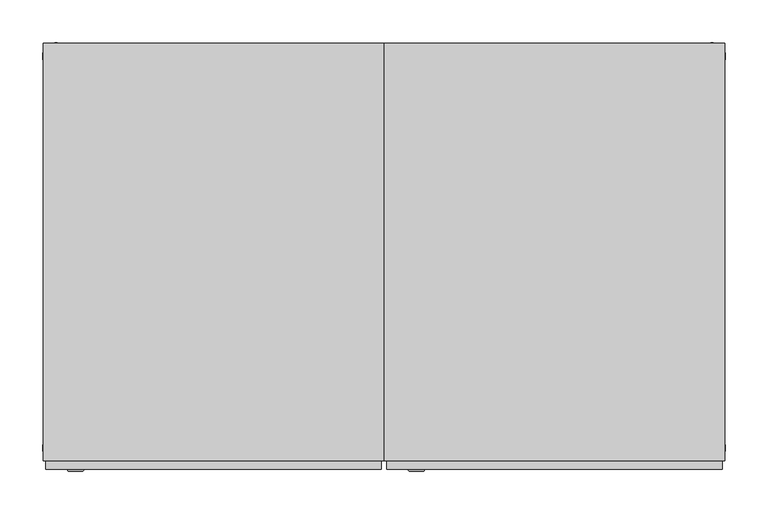
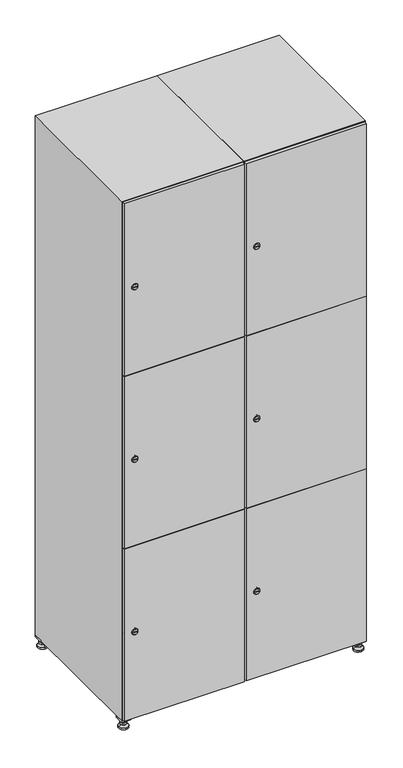
"""IFC4 building model written with IfcOpenShell, lengths in millimetres: furniture geometry."""

from ifc_helpers import new_model, si_unit, point, frame, frame_2d, origin, origin_with_axes, place, context, project, spatial, polyline, circle_curve, trimmed, segment, composite_curve, outline, extrude, faceted_brep, source, transform, mapped, element, save
from ifc_brep_helpers import plane_surface, revolved_surface, advanced_brep


def furniture_7720cfd1(model_context):
    return source(origin(), model_context, "Body", "SolidModel", [
        extrude(outline(polyline([(600.0, 245.0), (600.0, 215.0), (570.0, 215.0), (570.0, 245.0), (600.0, 245.0)]), holes=[polyline([(598.0, 243.0), (572.0, 243.0), (572.0, 217.0), (598.0, 217.0), (598.0, 243.0)])]), frame((0.0, 0.0, 28.5), z_axis=(0.0, 0.0, 1.0), x_axis=(1.0, 0.0, 0.0)), (0.0, 0.0, 1.0), 6.5),
        extrude(outline(polyline([(570.0, -245.0), (570.0, -215.0), (600.0, -215.0), (600.0, -245.0), (570.0, -245.0)]), holes=[polyline([(572.0, -243.0), (598.0, -243.0), (598.0, -217.0), (572.0, -217.0), (572.0, -243.0)])]), frame((0.0, 0.0, 28.5), z_axis=(0.0, 0.0, 1.0), x_axis=(1.0, 0.0, 0.0)), (0.0, 0.0, 1.0), 6.5),
        extrude(outline(polyline([(-170.0, 245.0), (-170.0, 215.0), (-200.0, 215.0), (-200.0, 245.0), (-170.0, 245.0)]), holes=[polyline([(-172.0, 243.0), (-198.0, 243.0), (-198.0, 217.0), (-172.0, 217.0), (-172.0, 243.0)])]), frame((0.0, 0.0, 28.5), z_axis=(0.0, 0.0, 1.0), x_axis=(1.0, 0.0, 0.0)), (0.0, 0.0, 1.0), 6.5),
        extrude(outline(polyline([(-170.0, -215.0), (-170.0, -245.0), (-200.0, -245.0), (-200.0, -215.0), (-170.0, -215.0)]), holes=[polyline([(-198.0, -243.0), (-172.0, -243.0), (-172.0, -217.0), (-198.0, -217.0), (-198.0, -243.0)])]), frame((0.0, 0.0, 28.5), z_axis=(0.0, 0.0, 1.0), x_axis=(1.0, 0.0, 0.0)), (0.0, 0.0, 1.0), 6.5),
        extrude(outline(composite_curve([segment(trimmed(circle_curve(frame_2d((-185.0, 230.0)), 5.0), [point((-180.0, 230.0))], [point((-190.0, 230.0))], False, "CARTESIAN"), True, "CONTINUOUS"), segment(trimmed(circle_curve(frame_2d((-185.0, 230.0)), 5.0), [point((-190.0, 230.0))], [point((-180.0, 230.0))], False, "CARTESIAN"), True, "CONTINUOUS")], self_intersect=False)), frame((0.0, 0.0, 19.6), z_axis=(0.0, 0.0, 1.0), x_axis=(1.0, 0.0, 0.0)), (0.0, 0.0, 1.0), 15.4),
        extrude(outline(composite_curve([segment(trimmed(circle_curve(frame_2d((-185.0, -230.0)), 5.0), [point((-180.0, -230.0))], [point((-190.0, -230.0))], False, "CARTESIAN"), True, "CONTINUOUS"), segment(trimmed(circle_curve(frame_2d((-185.0, -230.0)), 5.0), [point((-190.0, -230.0))], [point((-180.0, -230.0))], False, "CARTESIAN"), True, "CONTINUOUS")], self_intersect=False)), frame((0.0, 0.0, 19.6), z_axis=(0.0, 0.0, 1.0), x_axis=(1.0, 0.0, 0.0)), (0.0, 0.0, 1.0), 15.4),
        extrude(outline(composite_curve([segment(trimmed(circle_curve(frame_2d((585.0, 230.0)), 5.0), [point((590.0, 230.0))], [point((580.0, 230.0))], False, "CARTESIAN"), True, "CONTINUOUS"), segment(trimmed(circle_curve(frame_2d((585.0, 230.0)), 5.0), [point((580.0, 230.0))], [point((590.0, 230.0))], False, "CARTESIAN"), True, "CONTINUOUS")], self_intersect=False)), frame((0.0, 0.0, 19.6), z_axis=(0.0, 0.0, 1.0), x_axis=(1.0, 0.0, 0.0)), (0.0, 0.0, 1.0), 15.4),
        extrude(outline(polyline([(573.4529946, 230.0), (579.2264973, 240.0), (590.7735027, 240.0), (596.5470054, 230.0), (590.7735027, 220.0), (579.2264973, 220.0), (573.4529946, 230.0)])), frame((0.0, 0.0, 13.6), z_axis=(0.0, 0.0, 1.0), x_axis=(1.0, 0.0, 0.0)), (0.0, 0.0, 1.0), 6.0),
        extrude(outline(composite_curve([segment(trimmed(circle_curve(frame_2d((585.0, -230.0)), 5.0), [point((590.0, -230.0))], [point((580.0, -230.0))], False, "CARTESIAN"), True, "CONTINUOUS"), segment(trimmed(circle_curve(frame_2d((585.0, -230.0)), 5.0), [point((580.0, -230.0))], [point((590.0, -230.0))], False, "CARTESIAN"), True, "CONTINUOUS")], self_intersect=False)), frame((0.0, 0.0, 19.6), z_axis=(0.0, 0.0, 1.0), x_axis=(1.0, 0.0, 0.0)), (0.0, 0.0, 1.0), 15.4),
        extrude(outline(polyline([(573.4529946, -230.0), (579.2264973, -220.0), (590.7735027, -220.0), (596.5470054, -230.0), (590.7735027, -240.0), (579.2264973, -240.0), (573.4529946, -230.0)])), frame((0.0, 0.0, 13.6), z_axis=(0.0, 0.0, 1.0), x_axis=(1.0, 0.0, 0.0)), (0.0, 0.0, 1.0), 6.0),
        extrude(outline(composite_curve([segment(trimmed(circle_curve(frame_2d((585.0, 230.0)), 5.0), [point((590.0, 230.0))], [point((580.0, 230.0))], False, "CARTESIAN"), True, "CONTINUOUS"), segment(trimmed(circle_curve(frame_2d((585.0, 230.0)), 5.0), [point((580.0, 230.0))], [point((590.0, 230.0))], False, "CARTESIAN"), True, "CONTINUOUS")], self_intersect=False)), frame((0.0, 0.0, 12.1), z_axis=(0.0, 0.0, 1.0), x_axis=(1.0, 0.0, 0.0)), (0.0, 0.0, 1.0), 1.5),
        extrude(outline(composite_curve([segment(trimmed(circle_curve(frame_2d((585.0, -230.0)), 5.0), [point((590.0, -230.0))], [point((580.0, -230.0))], False, "CARTESIAN"), True, "CONTINUOUS"), segment(trimmed(circle_curve(frame_2d((585.0, -230.0)), 5.0), [point((580.0, -230.0))], [point((590.0, -230.0))], False, "CARTESIAN"), True, "CONTINUOUS")], self_intersect=False)), frame((0.0, 0.0, 12.1), z_axis=(0.0, 0.0, 1.0), x_axis=(1.0, 0.0, 0.0)), (0.0, 0.0, 1.0), 1.5),
        extrude(outline(polyline([(-196.5470054, 230.0), (-190.7735027, 240.0), (-179.2264973, 240.0), (-173.4529946, 230.0), (-179.2264973, 220.0), (-190.7735027, 220.0), (-196.5470054, 230.0)])), frame((0.0, 0.0, 13.6), z_axis=(0.0, 0.0, 1.0), x_axis=(1.0, 0.0, 0.0)), (0.0, 0.0, 1.0), 6.0),
        extrude(outline(polyline([(-196.5470054, -230.0), (-190.7735027, -220.0), (-179.2264973, -220.0), (-173.4529946, -230.0), (-179.2264973, -240.0), (-190.7735027, -240.0), (-196.5470054, -230.0)])), frame((0.0, 0.0, 13.6), z_axis=(0.0, 0.0, 1.0), x_axis=(1.0, 0.0, 0.0)), (0.0, 0.0, 1.0), 6.0),
        extrude(outline(composite_curve([segment(trimmed(circle_curve(frame_2d((-185.0, 230.0)), 5.0), [point((-185.0, 235.0))], [point((-185.0, 225.0))], False, "CARTESIAN"), True, "CONTINUOUS"), segment(trimmed(circle_curve(frame_2d((-185.0, 230.0)), 5.0), [point((-185.0, 225.0))], [point((-185.0, 235.0))], False, "CARTESIAN"), True, "CONTINUOUS")], self_intersect=False)), frame((0.0, 0.0, 12.1), z_axis=(0.0, 0.0, 1.0), x_axis=(1.0, 0.0, 0.0)), (0.0, 0.0, 1.0), 1.5),
        extrude(outline(composite_curve([segment(trimmed(circle_curve(frame_2d((-185.0, -230.0)), 5.0), [point((-180.0, -230.0))], [point((-190.0, -230.0))], False, "CARTESIAN"), True, "CONTINUOUS"), segment(trimmed(circle_curve(frame_2d((-185.0, -230.0)), 5.0), [point((-190.0, -230.0))], [point((-180.0, -230.0))], False, "CARTESIAN"), True, "CONTINUOUS")], self_intersect=False)), frame((0.0, 0.0, 12.1), z_axis=(0.0, 0.0, 1.0), x_axis=(1.0, 0.0, 0.0)), (0.0, 0.0, 1.0), 1.5),
        extrude(outline(composite_curve([segment(trimmed(circle_curve(frame_2d((585.0, 230.0)), 15.75), [point((600.75, 230.0))], [point((569.25, 230.0))], False, "CARTESIAN"), True, "CONTINUOUS"), segment(trimmed(circle_curve(frame_2d((585.0, 230.0)), 15.75), [point((569.25, 230.0))], [point((600.75, 230.0))], False, "CARTESIAN"), True, "CONTINUOUS")], self_intersect=False)), origin_with_axes(), (0.0, 0.0, 1.0), 5.1),
        extrude(outline(composite_curve([segment(trimmed(circle_curve(frame_2d((585.0, -230.0)), 15.75), [point((585.0, -214.25))], [point((585.0, -245.75))], False, "CARTESIAN"), True, "CONTINUOUS"), segment(trimmed(circle_curve(frame_2d((585.0, -230.0)), 15.75), [point((585.0, -245.75))], [point((585.0, -214.25))], False, "CARTESIAN"), True, "CONTINUOUS")], self_intersect=False)), origin_with_axes(), (0.0, 0.0, 1.0), 5.1),
        extrude(outline(composite_curve([segment(trimmed(circle_curve(frame_2d((-185.0, -230.0)), 15.75), [point((-169.25, -230.0))], [point((-200.75, -230.0))], False, "CARTESIAN"), True, "CONTINUOUS"), segment(trimmed(circle_curve(frame_2d((-185.0, -230.0)), 15.75), [point((-200.75, -230.0))], [point((-169.25, -230.0))], False, "CARTESIAN"), True, "CONTINUOUS")], self_intersect=False)), origin_with_axes(), (0.0, 0.0, 1.0), 5.1),
        extrude(outline(composite_curve([segment(trimmed(circle_curve(frame_2d((-185.0, 230.0)), 15.75), [point((-169.25, 230.0))], [point((-200.75, 230.0))], False, "CARTESIAN"), True, "CONTINUOUS"), segment(trimmed(circle_curve(frame_2d((-185.0, 230.0)), 15.75), [point((-200.75, 230.0))], [point((-169.25, 230.0))], False, "CARTESIAN"), True, "CONTINUOUS")], self_intersect=False)), origin_with_axes(), (0.0, 0.0, 1.0), 5.1),
        advanced_brep(
        [(-185.0, 239.5, 12.1), (-185.0, 220.5, 12.1), (-185.0, 214.25, 5.1), (-185.0, 245.75, 5.1)],
        [
            (0, 1, circle_curve(frame((-185.0, 230.0, 12.1), z_axis=(0.0, 0.0, -1.0), x_axis=(0.0, 1.0, 0.0)), 9.5)),
            (1, 2),
            (2, 3, circle_curve(frame((-185.0, 230.0, 5.1), z_axis=(0.0, 0.0, 1.0), x_axis=(0.0, 1.0, 0.0)), 15.75)),
            (3, 0),
            (1, 0, circle_curve(frame((-185.0, 230.0, 12.1), z_axis=(0.0, 0.0, -1.0), x_axis=(0.0, -1.0, 0.0)), 9.5)),
            (3, 2, circle_curve(frame((-185.0, 230.0, 5.1), z_axis=(0.0, 0.0, 1.0), x_axis=(0.0, -1.0, 0.0)), 15.75)),
        ],
        [
            revolved_surface(polyline([(-185.0, 220.5, 12.099999999999998), (-185.0, 214.25, 5.099999999999998)]), (-185.0, 230.0, 22.74), (0.0, 0.0, -1.0)),
            revolved_surface(polyline([(-185.0, 239.5, 12.099999999999998), (-185.0, 245.75, 5.099999999999998)]), (-185.0, 230.0, 22.74), (0.0, 0.0, -1.0)),
            plane_surface(frame((-185.0, 230.0, 5.1), z_axis=(0.0, 0.0, -1.0), x_axis=(1.0, 0.0, 0.0))),
            plane_surface(frame((-185.0, 230.0, 12.1), z_axis=(0.0, 0.0, 1.0), x_axis=(1.0, 0.0, 0.0))),
        ],
        [
            (0, [[1, 2, 3, 4]]),
            (1, [[5, -4, 6, -2]]),
            (2, [[-3, -6]]),
            (3, [[-5, -1]]),
        ],
    ),
        advanced_brep(
        [(585.0, 239.5, 12.1), (585.0, 220.5, 12.1), (585.0, 214.25, 5.1), (585.0, 245.75, 5.1)],
        [
            (0, 1, circle_curve(frame((585.0, 230.0, 12.1), z_axis=(0.0, 0.0, -1.0), x_axis=(0.0, 1.0, 0.0)), 9.5)),
            (1, 2),
            (2, 3, circle_curve(frame((585.0, 230.0, 5.1), z_axis=(0.0, 0.0, 1.0), x_axis=(0.0, 1.0, 0.0)), 15.75)),
            (3, 0),
            (1, 0, circle_curve(frame((585.0, 230.0, 12.1), z_axis=(0.0, 0.0, -1.0), x_axis=(0.0, -1.0, 0.0)), 9.5)),
            (3, 2, circle_curve(frame((585.0, 230.0, 5.1), z_axis=(0.0, 0.0, 1.0), x_axis=(0.0, -1.0, 0.0)), 15.75)),
        ],
        [
            revolved_surface(polyline([(585.0, 220.5, 12.099999999999998), (585.0, 214.25, 5.099999999999998)]), (585.0, 230.0, 22.74), (0.0, 0.0, -1.0)),
            revolved_surface(polyline([(585.0, 239.5, 12.099999999999998), (585.0, 245.75, 5.099999999999998)]), (585.0, 230.0, 22.74), (0.0, 0.0, -1.0)),
            plane_surface(frame((585.0, 230.0, 5.1), z_axis=(0.0, 0.0, -1.0), x_axis=(1.0, 0.0, 0.0))),
            plane_surface(frame((585.0, 230.0, 12.1), z_axis=(0.0, 0.0, 1.0), x_axis=(1.0, 0.0, 0.0))),
        ],
        [
            (0, [[1, 2, 3, 4]]),
            (1, [[5, -4, 6, -2]]),
            (2, [[-3, -6]]),
            (3, [[-5, -1]]),
        ],
    ),
        advanced_brep(
        [(600.75, -230.0, 5.1), (569.25, -230.0, 5.1), (575.5, -230.0, 12.1), (594.5, -230.0, 12.1)],
        [
            (0, 1, circle_curve(frame((585.0, -230.0, 5.1), z_axis=(0.0, 0.0, 1.0), x_axis=(1.0, 0.0, 0.0)), 15.75)),
            (1, 2),
            (2, 3, circle_curve(frame((585.0, -230.0, 12.1), z_axis=(0.0, 0.0, -1.0), x_axis=(1.0, 0.0, 0.0)), 9.5)),
            (3, 0),
            (1, 0, circle_curve(frame((585.0, -230.0, 5.1), z_axis=(0.0, 0.0, 1.0), x_axis=(-1.0, 0.0, 0.0)), 15.75)),
            (3, 2, circle_curve(frame((585.0, -230.0, 12.1), z_axis=(0.0, 0.0, -1.0), x_axis=(-1.0, 0.0, 0.0)), 9.5)),
        ],
        [
            revolved_surface(polyline([(594.5, -230.0, 12.099999999999998), (600.75, -230.0, 5.099999999999998)]), (585.0, -230.0, 22.74), (0.0, 0.0, -1.0)),
            revolved_surface(polyline([(575.5, -230.0, 12.099999999999998), (569.25, -230.0, 5.099999999999998)]), (585.0, -230.0, 22.74), (0.0, 0.0, -1.0)),
            plane_surface(frame((585.0, -230.0, 12.1), z_axis=(0.0, 0.0, 1.0), x_axis=(0.0, 1.0, 0.0))),
            plane_surface(frame((585.0, -230.0, 5.1), z_axis=(0.0, 0.0, -1.0), x_axis=(0.0, 1.0, 0.0))),
        ],
        [
            (0, [[1, 2, 3, 4]]),
            (1, [[5, -4, 6, -2]]),
            (2, [[-3, -6]]),
            (3, [[-5, -1]]),
        ],
    ),
        advanced_brep(
        [(-169.25, -230.0, 5.1), (-200.75, -230.0, 5.1), (-194.5, -230.0, 12.1), (-175.5, -230.0, 12.1)],
        [
            (0, 1, circle_curve(frame((-185.0, -230.0, 5.1), z_axis=(0.0, 0.0, 1.0), x_axis=(1.0, 0.0, 0.0)), 15.75)),
            (1, 2),
            (2, 3, circle_curve(frame((-185.0, -230.0, 12.1), z_axis=(0.0, 0.0, -1.0), x_axis=(1.0, 0.0, 0.0)), 9.5)),
            (3, 0),
            (1, 0, circle_curve(frame((-185.0, -230.0, 5.1), z_axis=(0.0, 0.0, 1.0), x_axis=(-1.0, 0.0, 0.0)), 15.75)),
            (3, 2, circle_curve(frame((-185.0, -230.0, 12.1), z_axis=(0.0, 0.0, -1.0), x_axis=(-1.0, 0.0, 0.0)), 9.5)),
        ],
        [
            revolved_surface(polyline([(-175.5, -230.0, 12.099999999999998), (-169.25, -230.0, 5.099999999999998)]), (-185.0, -230.0, 22.74), (0.0, 0.0, -1.0)),
            revolved_surface(polyline([(-194.5, -230.0, 12.099999999999998), (-200.75, -230.0, 5.099999999999998)]), (-185.0, -230.0, 22.74), (0.0, 0.0, -1.0)),
            plane_surface(frame((-185.0, -230.0, 12.1), z_axis=(0.0, 0.0, 1.0), x_axis=(0.0, 1.0, 0.0))),
            plane_surface(frame((-185.0, -230.0, 5.1), z_axis=(0.0, 0.0, -1.0), x_axis=(0.0, 1.0, 0.0))),
        ],
        [
            (0, [[1, 2, 3, 4]]),
            (1, [[5, -4, 6, -2]]),
            (2, [[-3, -6]]),
            (3, [[-5, -1]]),
        ],
    ),
        extrude(outline(composite_curve([segment(trimmed(circle_curve(frame_2d((337.0, 211.2010534)), 7.0), [point((344.0, 211.2010534))], [point((330.0, 211.2010534))], False, "CARTESIAN"), True, "CONTINUOUS"), segment(polyline([(330.0, 211.2010534), (330.0, 239.2010534)]), True, "CONTINUOUS"), segment(trimmed(circle_curve(frame_2d((337.0, 239.2010534)), 7.0), [point((330.0, 239.2010534))], [point((344.0, 239.2010534))], False, "CARTESIAN"), True, "CONTINUOUS"), segment(polyline([(344.0, 239.2010534), (344.0, 211.2010534)]), True, "CONTINUOUS")], self_intersect=False)), frame((0.0, -245.0, 0.0), z_axis=(0.0, 1.0, 0.0), x_axis=(0.0, 0.0, 1.0)), (0.0, 0.0, 1.0), 2.0),
        advanced_brep(
        [(246.5, -257.2, 337.0), (229.5, -257.2, 337.0), (233.0, -257.2, 335.75), (233.0, -257.2, 338.25), (243.0, -257.2, 338.25), (243.0, -257.2, 335.75), (248.5, -255.0, 337.0), (227.5, -255.0, 337.0), (233.0, -255.0, 338.25), (233.0, -255.0, 335.75), (243.0, -255.0, 335.75), (243.0, -255.0, 338.25)],
        [
            (0, 1, circle_curve(frame((238.0, -257.2, 337.0), z_axis=(0.0, -1.0, 0.0), x_axis=(1.0, 0.0, 0.0)), 8.5)),
            (1, 0, circle_curve(frame((238.0, -257.2, 337.0), z_axis=(0.0, -1.0, 0.0), x_axis=(-1.0, 0.0, 0.0)), 8.5)),
            (2, 3),
            (3, 4),
            (4, 5),
            (5, 2),
            (6, 7, circle_curve(frame((238.0, -255.0, 337.0), z_axis=(0.0, 1.0, 0.0), x_axis=(-1.0, 0.0, 0.0)), 10.5)),
            (7, 6, circle_curve(frame((238.0, -255.0, 337.0), z_axis=(0.0, 1.0, 0.0), x_axis=(1.0, 0.0, 0.0)), 10.5)),
            (8, 9),
            (9, 10),
            (10, 11),
            (11, 8),
            (0, 6),
            (7, 1),
            (8, 3),
            (2, 9),
            (11, 4),
            (10, 5),
        ],
        [
            plane_surface(frame((238.0, -257.2, 337.0), z_axis=(0.0, -1.0, 0.0), x_axis=(0.0, 0.0, 1.0))),
            plane_surface(frame((238.0, -255.0, 337.0), z_axis=(0.0, 1.0, 0.0), x_axis=(0.0, 0.0, 1.0))),
            revolved_surface(polyline([(246.5, -257.2, 337.0), (248.5, -255.0, 337.0)]), (238.0, -266.55, 337.0), (0.0, 1.0, 0.0)),
            revolved_surface(polyline([(229.5, -257.2, 337.0), (227.5, -255.0, 337.0)]), (238.0, -266.55, 337.0), (0.0, 1.0, 0.0)),
            plane_surface(frame((233.0, -255.0, 335.75), z_axis=(1.0, 0.0, 0.0), x_axis=(0.0, -1.0, 0.0))),
            plane_surface(frame((233.0, -255.0, 338.25), z_axis=(0.0, 0.0, -1.0), x_axis=(0.0, -1.0, 0.0))),
            plane_surface(frame((243.0, -255.0, 338.25), z_axis=(-1.0, 0.0, 0.0), x_axis=(0.0, -1.0, 0.0))),
            plane_surface(frame((243.0, -255.0, 335.75), z_axis=(0.0, 0.0, 1.0), x_axis=(0.0, -1.0, 0.0))),
        ],
        [
            (0, [[1, 2], [3, 4, 5, 6]]),
            (1, [[7, 8], [9, 10, 11, 12]]),
            (2, [[-1, 13, -8, 14]]),
            (3, [[-2, -14, -7, -13]]),
            (4, [[15, -3, 16, -9]]),
            (5, [[-15, -12, 17, -4]]),
            (6, [[-17, -11, 18, -5]]),
            (7, [[-16, -6, -18, -10]]),
        ],
    ),
        extrude(outline(composite_curve([segment(trimmed(circle_curve(frame_2d((935.0, 211.2010534)), 7.0), [point((942.0, 211.2010534))], [point((928.0, 211.2010534))], False, "CARTESIAN"), True, "CONTINUOUS"), segment(polyline([(928.0, 211.2010534), (928.0, 239.2010534)]), True, "CONTINUOUS"), segment(trimmed(circle_curve(frame_2d((935.0, 239.2010534)), 7.0), [point((928.0, 239.2010534))], [point((942.0, 239.2010534))], False, "CARTESIAN"), True, "CONTINUOUS"), segment(polyline([(942.0, 239.2010534), (942.0, 211.2010534)]), True, "CONTINUOUS")], self_intersect=False)), frame((0.0, -245.0, 0.0), z_axis=(0.0, 1.0, 0.0), x_axis=(0.0, 0.0, 1.0)), (0.0, 0.0, 1.0), 2.0),
        advanced_brep(
        [(246.5, -257.2, 935.0), (229.5, -257.2, 935.0), (233.0, -257.2, 933.75), (233.0, -257.2, 936.25), (243.0, -257.2, 936.25), (243.0, -257.2, 933.75), (248.5, -255.0, 935.0), (227.5, -255.0, 935.0), (233.0, -255.0, 936.25), (233.0, -255.0, 933.75), (243.0, -255.0, 933.75), (243.0, -255.0, 936.25)],
        [
            (0, 1, circle_curve(frame((238.0, -257.2, 935.0), z_axis=(0.0, -1.0, 0.0), x_axis=(1.0, 0.0, 0.0)), 8.5)),
            (1, 0, circle_curve(frame((238.0, -257.2, 935.0), z_axis=(0.0, -1.0, 0.0), x_axis=(-1.0, 0.0, 0.0)), 8.5)),
            (2, 3),
            (3, 4),
            (4, 5),
            (5, 2),
            (6, 7, circle_curve(frame((238.0, -255.0, 935.0), z_axis=(0.0, 1.0, 0.0), x_axis=(-1.0, 0.0, 0.0)), 10.5)),
            (7, 6, circle_curve(frame((238.0, -255.0, 935.0), z_axis=(0.0, 1.0, 0.0), x_axis=(1.0, 0.0, 0.0)), 10.5)),
            (8, 9),
            (9, 10),
            (10, 11),
            (11, 8),
            (0, 6),
            (7, 1),
            (8, 3),
            (2, 9),
            (11, 4),
            (10, 5),
        ],
        [
            plane_surface(frame((238.0, -257.2, 935.0), z_axis=(0.0, -1.0, 0.0), x_axis=(0.0, 0.0, 1.0))),
            plane_surface(frame((238.0, -255.0, 935.0), z_axis=(0.0, 1.0, 0.0), x_axis=(0.0, 0.0, 1.0))),
            revolved_surface(polyline([(246.5, -257.2, 935.0), (248.5, -255.0, 935.0)]), (238.0, -266.55, 935.0), (0.0, 1.0, 0.0)),
            revolved_surface(polyline([(229.5, -257.2, 935.0), (227.5, -255.0, 935.0)]), (238.0, -266.55, 935.0), (0.0, 1.0, 0.0)),
            plane_surface(frame((233.0, -255.0, 933.75), z_axis=(1.0, 0.0, 0.0), x_axis=(0.0, -1.0, 0.0))),
            plane_surface(frame((233.0, -255.0, 936.25), z_axis=(0.0, 0.0, -1.0), x_axis=(0.0, -1.0, 0.0))),
            plane_surface(frame((243.0, -255.0, 936.25), z_axis=(-1.0, 0.0, 0.0), x_axis=(0.0, -1.0, 0.0))),
            plane_surface(frame((243.0, -255.0, 933.75), z_axis=(0.0, 0.0, 1.0), x_axis=(0.0, -1.0, 0.0))),
        ],
        [
            (0, [[1, 2], [3, 4, 5, 6]]),
            (1, [[7, 8], [9, 10, 11, 12]]),
            (2, [[-1, 13, -8, 14]]),
            (3, [[-2, -14, -7, -13]]),
            (4, [[15, -3, 16, -9]]),
            (5, [[-15, -12, 17, -4]]),
            (6, [[-17, -11, 18, -5]]),
            (7, [[-16, -6, -18, -10]]),
        ],
    ),
        extrude(outline(composite_curve([segment(trimmed(circle_curve(frame_2d((1533.0, 211.2010534)), 7.0), [point((1540.0, 211.2010534))], [point((1526.0, 211.2010534))], False, "CARTESIAN"), True, "CONTINUOUS"), segment(polyline([(1526.0, 211.2010534), (1526.0, 239.2010534)]), True, "CONTINUOUS"), segment(trimmed(circle_curve(frame_2d((1533.0, 239.2010534)), 7.0), [point((1526.0, 239.2010534))], [point((1540.0, 239.2010534))], False, "CARTESIAN"), True, "CONTINUOUS"), segment(polyline([(1540.0, 239.2010534), (1540.0, 211.2010534)]), True, "CONTINUOUS")], self_intersect=False)), frame((0.0, -245.0, 0.0), z_axis=(0.0, 1.0, 0.0), x_axis=(0.0, 0.0, 1.0)), (0.0, 0.0, 1.0), 2.0),
        advanced_brep(
        [(246.5, -257.2, 1533.0), (229.5, -257.2, 1533.0), (233.0, -257.2, 1531.75), (233.0, -257.2, 1534.25), (243.0, -257.2, 1534.25), (243.0, -257.2, 1531.75), (248.5, -255.0, 1533.0), (227.5, -255.0, 1533.0), (233.0, -255.0, 1534.25), (233.0, -255.0, 1531.75), (243.0, -255.0, 1531.75), (243.0, -255.0, 1534.25)],
        [
            (0, 1, circle_curve(frame((238.0, -257.2, 1533.0), z_axis=(0.0, -1.0, 0.0), x_axis=(1.0, 0.0, 0.0)), 8.5)),
            (1, 0, circle_curve(frame((238.0, -257.2, 1533.0), z_axis=(0.0, -1.0, 0.0), x_axis=(-1.0, 0.0, 0.0)), 8.5)),
            (2, 3),
            (3, 4),
            (4, 5),
            (5, 2),
            (6, 7, circle_curve(frame((238.0, -255.0, 1533.0), z_axis=(0.0, 1.0, 0.0), x_axis=(-1.0, 0.0, 0.0)), 10.5)),
            (7, 6, circle_curve(frame((238.0, -255.0, 1533.0), z_axis=(0.0, 1.0, 0.0), x_axis=(1.0, 0.0, 0.0)), 10.5)),
            (8, 9),
            (9, 10),
            (10, 11),
            (11, 8),
            (0, 6),
            (7, 1),
            (8, 3),
            (2, 9),
            (11, 4),
            (10, 5),
        ],
        [
            plane_surface(frame((238.0, -257.2, 1533.0), z_axis=(0.0, -1.0, 0.0), x_axis=(0.0, 0.0, 1.0))),
            plane_surface(frame((238.0, -255.0, 1533.0), z_axis=(0.0, 1.0, 0.0), x_axis=(0.0, 0.0, 1.0))),
            revolved_surface(polyline([(246.5, -257.2, 1533.0), (248.5, -255.0, 1533.0)]), (238.0, -266.55, 1533.0), (0.0, 1.0, 0.0)),
            revolved_surface(polyline([(229.5, -257.2, 1533.0), (227.5, -255.0, 1533.0)]), (238.0, -266.55, 1533.0), (0.0, 1.0, 0.0)),
            plane_surface(frame((233.0, -255.0, 1531.75), z_axis=(1.0, 0.0, 0.0), x_axis=(0.0, -1.0, 0.0))),
            plane_surface(frame((233.0, -255.0, 1534.25), z_axis=(0.0, 0.0, -1.0), x_axis=(0.0, -1.0, 0.0))),
            plane_surface(frame((243.0, -255.0, 1534.25), z_axis=(-1.0, 0.0, 0.0), x_axis=(0.0, -1.0, 0.0))),
            plane_surface(frame((243.0, -255.0, 1531.75), z_axis=(0.0, 0.0, 1.0), x_axis=(0.0, -1.0, 0.0))),
        ],
        [
            (0, [[1, 2], [3, 4, 5, 6]]),
            (1, [[7, 8], [9, 10, 11, 12]]),
            (2, [[-1, 13, -8, 14]]),
            (3, [[-2, -14, -7, -13]]),
            (4, [[15, -3, 16, -9]]),
            (5, [[-15, -12, 17, -4]]),
            (6, [[-17, -11, 18, -5]]),
            (7, [[-16, -6, -18, -10]]),
        ],
    ),
        extrude(outline(polyline([(597.0, -245.0), (597.0, -255.0), (203.0, -255.0), (203.0, -245.0), (597.0, -245.0)])), frame((0.0, 0.0, 636.5), z_axis=(0.0, 0.0, 1.0), x_axis=(1.0, 0.0, 0.0)), (0.0, 0.0, 1.0), 597.0),
        extrude(outline(polyline([(203.0, -255.0), (203.0, -245.0), (597.0, -245.0), (597.0, -255.0), (203.0, -255.0)])), frame((0.0, 0.0, 1234.5), z_axis=(0.0, 0.0, 1.0), x_axis=(1.0, 0.0, 0.0)), (0.0, 0.0, 1.0), 597.5),
        extrude(outline(polyline([(597.0, -245.0), (597.0, -255.0), (203.0, -255.0), (203.0, -245.0), (597.0, -245.0)])), frame((0.0, 0.0, 38.0), z_axis=(0.0, 0.0, 1.0), x_axis=(1.0, 0.0, 0.0)), (0.0, 0.0, 1.0), 597.5),
        extrude(outline(polyline([(579.6, 242.0), (579.6, -235.0), (220.4, -235.0), (220.4, 242.0), (579.6, 242.0)])), frame((0.0, 0.0, 1214.7333333), z_axis=(0.0, 0.0, 1.0), x_axis=(1.0, 0.0, 0.0)), (0.0, 0.0, 1.0), 20.4),
        extrude(outline(polyline([(220.4, 242.0), (579.6, 242.0), (579.6, -235.0), (220.4, -235.0), (220.4, 242.0)])), frame((0.0, 0.0, 634.8666667), z_axis=(0.0, 0.0, 1.0), x_axis=(1.0, 0.0, 0.0)), (0.0, 0.0, 1.0), 20.4),
        faceted_brep([(600.0, -245.0, 35.0), (600.0, -245.0, 1835.0), (200.0, -245.0, 1835.0), (200.0, -245.0, 35.0), (579.6, -245.0, 1804.8), (579.6, -245.0, 65.2), (220.4, -245.0, 65.2), (220.4, -245.0, 1804.8), (600.0, 245.0, 35.0), (200.0, 245.0, 35.0), (600.0, 245.0, 1835.0), (200.0, 245.0, 1835.0), (579.6, 242.0, 1804.8), (579.6, 242.0, 65.2), (200.0, 245.0, 1804.8), (220.4, 242.0, 1804.8), (220.4, 242.0, 65.2)], [[[0, 1, 2, 3], [4, 5, 6, 7]], [[8, 0, 3, 9]], [[1, 0, 8, 10]], [[1, 10, 11, 2]], [[4, 12, 13, 5]], [[9, 3, 2, 11, 14]], [[10, 8, 9, 14, 11]], [[12, 15, 16, 13]], [[15, 7, 6, 16]], [[4, 7, 15, 12]], [[6, 5, 13, 16]]]),
        extrude(outline(composite_curve([segment(trimmed(circle_curve(frame_2d((337.0, -188.7989466)), 7.0), [point((344.0, -188.7989466))], [point((330.0, -188.7989466))], False, "CARTESIAN"), True, "CONTINUOUS"), segment(polyline([(330.0, -188.7989466), (330.0, -160.7989466)]), True, "CONTINUOUS"), segment(trimmed(circle_curve(frame_2d((337.0, -160.7989466)), 7.0), [point((330.0, -160.7989466))], [point((344.0, -160.7989466))], False, "CARTESIAN"), True, "CONTINUOUS"), segment(polyline([(344.0, -160.7989466), (344.0, -188.7989466)]), True, "CONTINUOUS")], self_intersect=False)), frame((0.0, -245.0, 0.0), z_axis=(0.0, 1.0, 0.0), x_axis=(0.0, 0.0, 1.0)), (0.0, 0.0, 1.0), 2.0),
        advanced_brep(
        [(-153.5, -257.2, 337.0), (-170.5, -257.2, 337.0), (-167.0, -257.2, 335.75), (-167.0, -257.2, 338.25), (-157.0, -257.2, 338.25), (-157.0, -257.2, 335.75), (-151.5, -255.0, 337.0), (-172.5, -255.0, 337.0), (-167.0, -255.0, 338.25), (-167.0, -255.0, 335.75), (-157.0, -255.0, 335.75), (-157.0, -255.0, 338.25)],
        [
            (0, 1, circle_curve(frame((-162.0, -257.2, 337.0), z_axis=(0.0, -1.0, 0.0), x_axis=(1.0, 0.0, 0.0)), 8.5)),
            (1, 0, circle_curve(frame((-162.0, -257.2, 337.0), z_axis=(0.0, -1.0, 0.0), x_axis=(-1.0, 0.0, 0.0)), 8.5)),
            (2, 3),
            (3, 4),
            (4, 5),
            (5, 2),
            (6, 7, circle_curve(frame((-162.0, -255.0, 337.0), z_axis=(0.0, 1.0, 0.0), x_axis=(-1.0, 0.0, 0.0)), 10.5)),
            (7, 6, circle_curve(frame((-162.0, -255.0, 337.0), z_axis=(0.0, 1.0, 0.0), x_axis=(1.0, 0.0, 0.0)), 10.5)),
            (8, 9),
            (9, 10),
            (10, 11),
            (11, 8),
            (0, 6),
            (7, 1),
            (8, 3),
            (2, 9),
            (11, 4),
            (10, 5),
        ],
        [
            plane_surface(frame((-162.0, -257.2, 337.0), z_axis=(0.0, -1.0, 0.0), x_axis=(0.0, 0.0, 1.0))),
            plane_surface(frame((-162.0, -255.0, 337.0), z_axis=(0.0, 1.0, 0.0), x_axis=(0.0, 0.0, 1.0))),
            revolved_surface(polyline([(-153.5, -257.2, 337.0), (-151.5, -255.0, 337.0)]), (-162.0, -266.55, 337.0), (0.0, 1.0, 0.0)),
            revolved_surface(polyline([(-170.5, -257.2, 337.0), (-172.5, -255.0, 337.0)]), (-162.0, -266.55, 337.0), (0.0, 1.0, 0.0)),
            plane_surface(frame((-167.0, -255.0, 335.75), z_axis=(1.0, 0.0, 0.0), x_axis=(0.0, -1.0, 0.0))),
            plane_surface(frame((-167.0, -255.0, 338.25), z_axis=(0.0, 0.0, -1.0), x_axis=(0.0, -1.0, 0.0))),
            plane_surface(frame((-157.0, -255.0, 338.25), z_axis=(-1.0, 0.0, 0.0), x_axis=(0.0, -1.0, 0.0))),
            plane_surface(frame((-157.0, -255.0, 335.75), z_axis=(0.0, 0.0, 1.0), x_axis=(0.0, -1.0, 0.0))),
        ],
        [
            (0, [[1, 2], [3, 4, 5, 6]]),
            (1, [[7, 8], [9, 10, 11, 12]]),
            (2, [[-1, 13, -8, 14]]),
            (3, [[-2, -14, -7, -13]]),
            (4, [[15, -3, 16, -9]]),
            (5, [[-15, -12, 17, -4]]),
            (6, [[-17, -11, 18, -5]]),
            (7, [[-16, -6, -18, -10]]),
        ],
    ),
        extrude(outline(composite_curve([segment(trimmed(circle_curve(frame_2d((935.0, -188.7989466)), 7.0), [point((942.0, -188.7989466))], [point((928.0, -188.7989466))], False, "CARTESIAN"), True, "CONTINUOUS"), segment(polyline([(928.0, -188.7989466), (928.0, -160.7989466)]), True, "CONTINUOUS"), segment(trimmed(circle_curve(frame_2d((935.0, -160.7989466)), 7.0), [point((928.0, -160.7989466))], [point((942.0, -160.7989466))], False, "CARTESIAN"), True, "CONTINUOUS"), segment(polyline([(942.0, -160.7989466), (942.0, -188.7989466)]), True, "CONTINUOUS")], self_intersect=False)), frame((0.0, -245.0, 0.0), z_axis=(0.0, 1.0, 0.0), x_axis=(0.0, 0.0, 1.0)), (0.0, 0.0, 1.0), 2.0),
        advanced_brep(
        [(-153.5, -257.2, 935.0), (-170.5, -257.2, 935.0), (-167.0, -257.2, 933.75), (-167.0, -257.2, 936.25), (-157.0, -257.2, 936.25), (-157.0, -257.2, 933.75), (-151.5, -255.0, 935.0), (-172.5, -255.0, 935.0), (-167.0, -255.0, 936.25), (-167.0, -255.0, 933.75), (-157.0, -255.0, 933.75), (-157.0, -255.0, 936.25)],
        [
            (0, 1, circle_curve(frame((-162.0, -257.2, 935.0), z_axis=(0.0, -1.0, 0.0), x_axis=(1.0, 0.0, 0.0)), 8.5)),
            (1, 0, circle_curve(frame((-162.0, -257.2, 935.0), z_axis=(0.0, -1.0, 0.0), x_axis=(-1.0, 0.0, 0.0)), 8.5)),
            (2, 3),
            (3, 4),
            (4, 5),
            (5, 2),
            (6, 7, circle_curve(frame((-162.0, -255.0, 935.0), z_axis=(0.0, 1.0, 0.0), x_axis=(-1.0, 0.0, 0.0)), 10.5)),
            (7, 6, circle_curve(frame((-162.0, -255.0, 935.0), z_axis=(0.0, 1.0, 0.0), x_axis=(1.0, 0.0, 0.0)), 10.5)),
            (8, 9),
            (9, 10),
            (10, 11),
            (11, 8),
            (0, 6),
            (7, 1),
            (8, 3),
            (2, 9),
            (11, 4),
            (10, 5),
        ],
        [
            plane_surface(frame((-162.0, -257.2, 935.0), z_axis=(0.0, -1.0, 0.0), x_axis=(0.0, 0.0, 1.0))),
            plane_surface(frame((-162.0, -255.0, 935.0), z_axis=(0.0, 1.0, 0.0), x_axis=(0.0, 0.0, 1.0))),
            revolved_surface(polyline([(-153.5, -257.2, 935.0), (-151.5, -255.0, 935.0)]), (-162.0, -266.55, 935.0), (0.0, 1.0, 0.0)),
            revolved_surface(polyline([(-170.5, -257.2, 935.0), (-172.5, -255.0, 935.0)]), (-162.0, -266.55, 935.0), (0.0, 1.0, 0.0)),
            plane_surface(frame((-167.0, -255.0, 933.75), z_axis=(1.0, 0.0, 0.0), x_axis=(0.0, -1.0, 0.0))),
            plane_surface(frame((-167.0, -255.0, 936.25), z_axis=(0.0, 0.0, -1.0), x_axis=(0.0, -1.0, 0.0))),
            plane_surface(frame((-157.0, -255.0, 936.25), z_axis=(-1.0, 0.0, 0.0), x_axis=(0.0, -1.0, 0.0))),
            plane_surface(frame((-157.0, -255.0, 933.75), z_axis=(0.0, 0.0, 1.0), x_axis=(0.0, -1.0, 0.0))),
        ],
        [
            (0, [[1, 2], [3, 4, 5, 6]]),
            (1, [[7, 8], [9, 10, 11, 12]]),
            (2, [[-1, 13, -8, 14]]),
            (3, [[-2, -14, -7, -13]]),
            (4, [[15, -3, 16, -9]]),
            (5, [[-15, -12, 17, -4]]),
            (6, [[-17, -11, 18, -5]]),
            (7, [[-16, -6, -18, -10]]),
        ],
    ),
        extrude(outline(composite_curve([segment(trimmed(circle_curve(frame_2d((1533.0, -188.7989466)), 7.0), [point((1540.0, -188.7989466))], [point((1526.0, -188.7989466))], False, "CARTESIAN"), True, "CONTINUOUS"), segment(polyline([(1526.0, -188.7989466), (1526.0, -160.7989466)]), True, "CONTINUOUS"), segment(trimmed(circle_curve(frame_2d((1533.0, -160.7989466)), 7.0), [point((1526.0, -160.7989466))], [point((1540.0, -160.7989466))], False, "CARTESIAN"), True, "CONTINUOUS"), segment(polyline([(1540.0, -160.7989466), (1540.0, -188.7989466)]), True, "CONTINUOUS")], self_intersect=False)), frame((0.0, -245.0, 0.0), z_axis=(0.0, 1.0, 0.0), x_axis=(0.0, 0.0, 1.0)), (0.0, 0.0, 1.0), 2.0),
        advanced_brep(
        [(-153.5, -257.2, 1533.0), (-170.5, -257.2, 1533.0), (-167.0, -257.2, 1531.75), (-167.0, -257.2, 1534.25), (-157.0, -257.2, 1534.25), (-157.0, -257.2, 1531.75), (-151.5, -255.0, 1533.0), (-172.5, -255.0, 1533.0), (-167.0, -255.0, 1534.25), (-167.0, -255.0, 1531.75), (-157.0, -255.0, 1531.75), (-157.0, -255.0, 1534.25)],
        [
            (0, 1, circle_curve(frame((-162.0, -257.2, 1533.0), z_axis=(0.0, -1.0, 0.0), x_axis=(1.0, 0.0, 0.0)), 8.5)),
            (1, 0, circle_curve(frame((-162.0, -257.2, 1533.0), z_axis=(0.0, -1.0, 0.0), x_axis=(-1.0, 0.0, 0.0)), 8.5)),
            (2, 3),
            (3, 4),
            (4, 5),
            (5, 2),
            (6, 7, circle_curve(frame((-162.0, -255.0, 1533.0), z_axis=(0.0, 1.0, 0.0), x_axis=(-1.0, 0.0, 0.0)), 10.5)),
            (7, 6, circle_curve(frame((-162.0, -255.0, 1533.0), z_axis=(0.0, 1.0, 0.0), x_axis=(1.0, 0.0, 0.0)), 10.5)),
            (8, 9),
            (9, 10),
            (10, 11),
            (11, 8),
            (0, 6),
            (7, 1),
            (8, 3),
            (2, 9),
            (11, 4),
            (10, 5),
        ],
        [
            plane_surface(frame((-162.0, -257.2, 1533.0), z_axis=(0.0, -1.0, 0.0), x_axis=(0.0, 0.0, 1.0))),
            plane_surface(frame((-162.0, -255.0, 1533.0), z_axis=(0.0, 1.0, 0.0), x_axis=(0.0, 0.0, 1.0))),
            revolved_surface(polyline([(-153.5, -257.2, 1533.0), (-151.5, -255.0, 1533.0)]), (-162.0, -266.55, 1533.0), (0.0, 1.0, 0.0)),
            revolved_surface(polyline([(-170.5, -257.2, 1533.0), (-172.5, -255.0, 1533.0)]), (-162.0, -266.55, 1533.0), (0.0, 1.0, 0.0)),
            plane_surface(frame((-167.0, -255.0, 1531.75), z_axis=(1.0, 0.0, 0.0), x_axis=(0.0, -1.0, 0.0))),
            plane_surface(frame((-167.0, -255.0, 1534.25), z_axis=(0.0, 0.0, -1.0), x_axis=(0.0, -1.0, 0.0))),
            plane_surface(frame((-157.0, -255.0, 1534.25), z_axis=(-1.0, 0.0, 0.0), x_axis=(0.0, -1.0, 0.0))),
            plane_surface(frame((-157.0, -255.0, 1531.75), z_axis=(0.0, 0.0, 1.0), x_axis=(0.0, -1.0, 0.0))),
        ],
        [
            (0, [[1, 2], [3, 4, 5, 6]]),
            (1, [[7, 8], [9, 10, 11, 12]]),
            (2, [[-1, 13, -8, 14]]),
            (3, [[-2, -14, -7, -13]]),
            (4, [[15, -3, 16, -9]]),
            (5, [[-15, -12, 17, -4]]),
            (6, [[-17, -11, 18, -5]]),
            (7, [[-16, -6, -18, -10]]),
        ],
    ),
        extrude(outline(polyline([(197.0, -245.0), (197.0, -255.0), (-197.0, -255.0), (-197.0, -245.0), (197.0, -245.0)])), frame((0.0, 0.0, 636.5), z_axis=(0.0, 0.0, 1.0), x_axis=(1.0, 0.0, 0.0)), (0.0, 0.0, 1.0), 597.0),
        extrude(outline(polyline([(-197.0, -255.0), (-197.0, -245.0), (197.0, -245.0), (197.0, -255.0), (-197.0, -255.0)])), frame((0.0, 0.0, 1234.5), z_axis=(0.0, 0.0, 1.0), x_axis=(1.0, 0.0, 0.0)), (0.0, 0.0, 1.0), 597.5),
        extrude(outline(polyline([(197.0, -245.0), (197.0, -255.0), (-197.0, -255.0), (-197.0, -245.0), (197.0, -245.0)])), frame((0.0, 0.0, 38.0), z_axis=(0.0, 0.0, 1.0), x_axis=(1.0, 0.0, 0.0)), (0.0, 0.0, 1.0), 597.5),
        extrude(outline(polyline([(179.6, 242.0), (179.6, -235.0), (-179.6, -235.0), (-179.6, 242.0), (179.6, 242.0)])), frame((0.0, 0.0, 1214.7333333), z_axis=(0.0, 0.0, 1.0), x_axis=(1.0, 0.0, 0.0)), (0.0, 0.0, 1.0), 20.4),
        extrude(outline(polyline([(-179.6, 242.0), (179.6, 242.0), (179.6, -235.0), (-179.6, -235.0), (-179.6, 242.0)])), frame((0.0, 0.0, 634.8666667), z_axis=(0.0, 0.0, 1.0), x_axis=(1.0, 0.0, 0.0)), (0.0, 0.0, 1.0), 20.4),
        faceted_brep([(200.0, -245.0, 35.0), (200.0, -245.0, 1835.0), (-200.0, -245.0, 1835.0), (-200.0, -245.0, 35.0), (179.6, -245.0, 1804.8), (179.6, -245.0, 65.2), (-179.6, -245.0, 65.2), (-179.6, -245.0, 1804.8), (200.0, 245.0, 35.0), (-200.0, 245.0, 35.0), (200.0, 245.0, 1835.0), (-200.0, 245.0, 1835.0), (179.6, 242.0, 1804.8), (179.6, 242.0, 65.2), (-200.0, 245.0, 1804.8), (-179.6, 242.0, 1804.8), (-179.6, 242.0, 65.2)], [[[0, 1, 2, 3], [4, 5, 6, 7]], [[8, 0, 3, 9]], [[1, 0, 8, 10]], [[1, 10, 11, 2]], [[4, 12, 13, 5]], [[9, 3, 2, 11, 14]], [[10, 8, 9, 14, 11]], [[12, 15, 16, 13]], [[15, 7, 6, 16]], [[4, 7, 15, 12]], [[6, 5, 13, 16]]]),
    ])


if __name__ == "__main__":
    model = new_model("IFC4")
    model_context = context("Model", 3, world=origin())
    ifc_project = project(units=[si_unit("LENGTHUNIT", "METRE", prefix="MILLI")], contexts=[model_context])
    site = spatial("IfcSite", under=ifc_project)
    building = spatial("IfcBuilding", under=site)
    placement = place(None, origin())
    furniture_shape = furniture_7720cfd1(model_context)
    element("IfcFurniture", 1, at=placement, inside=building, context=model_context, shape_type="MappedRepresentation", body=[
        mapped(furniture_shape, transform((0.0, 0.0, 0.0), x_axis=(1.0, 0.0, 0.0), y_axis=(0.0, 1.0, 0.0), z_axis=(0.0, 0.0, 1.0))),
    ])
    save(model, "model.ifc")
